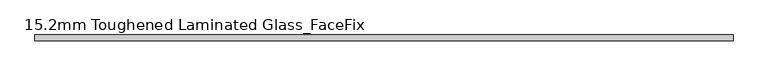
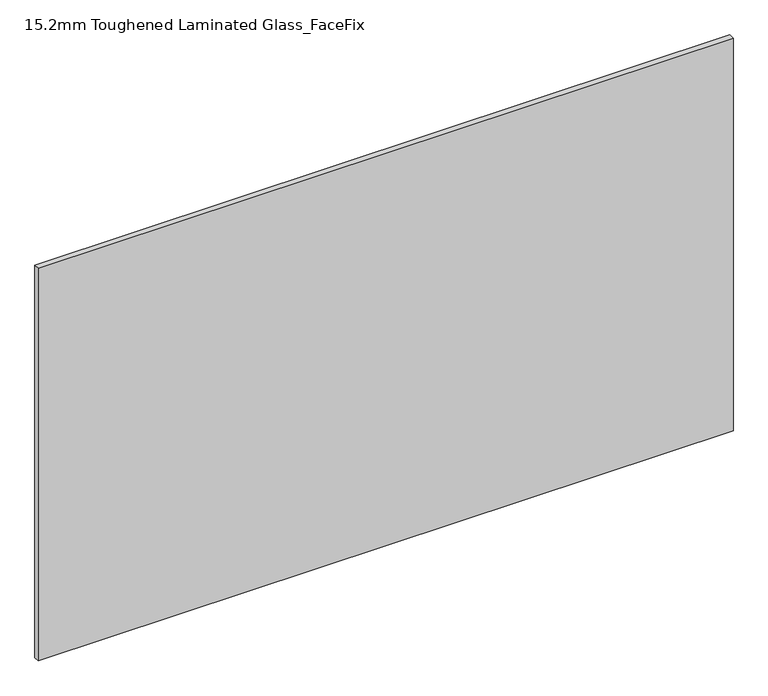
"""IFC4 building model written with IfcOpenShell, lengths in millimetres: plate geometry, 15.2mm Toughened Laminated Glass_FaceFix."""

from ifc_helpers import new_model, si_unit, origin, origin_with_axes, place, context, project, spatial, polyline, outline, extrude, source, transform, mapped, element, save


def plate_15_2mm_toughened_laminated_glass_facefix_2b7ffc7a(model_context):
    return source(origin(), model_context, "Body", "SweptSolid", [
        extrude(outline(polyline([(945.0000001, -24.4), (945.0000001, -39.6), (-945.0000001, -39.6), (-945.0000001, -24.4), (945.0000001, -24.4)])), origin_with_axes(), (0.0, 0.0, 1.0), 1129.0),
    ])


if __name__ == "__main__":
    model = new_model("IFC4")
    model_context = context("Model", 3, world=origin())
    ifc_project = project(units=[si_unit("LENGTHUNIT", "METRE", prefix="MILLI")], contexts=[model_context])
    site = spatial("IfcSite", under=ifc_project)
    building = spatial("IfcBuilding", under=site)
    placement = place(None, origin())
    plate_15_2mm_toughened_laminated_glass_facefix_shape = plate_15_2mm_toughened_laminated_glass_facefix_2b7ffc7a(model_context)
    element("IfcPlate", 1, ObjectType="15.2mm Toughened Laminated Glass_FaceFix", at=placement, inside=building, context=model_context, shape_type="MappedRepresentation", body=[
        mapped(plate_15_2mm_toughened_laminated_glass_facefix_shape, transform((0.0, 0.0, 0.0), x_axis=(1.0, 0.0, 0.0), y_axis=(0.0, 1.0, 0.0), z_axis=(0.0, 0.0, 1.0))),
    ])
    save(model, "model.ifc")
